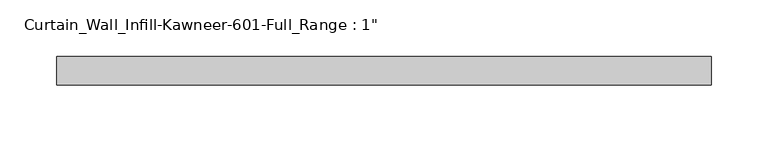
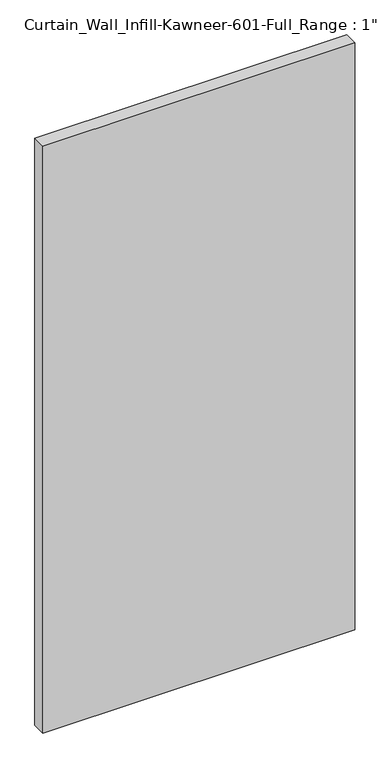
"""IFC4 building model written with IfcOpenShell, lengths in millimetres: plate geometry."""

from ifc_helpers import new_model, si_unit, origin, origin_with_axes, place, context, project, spatial, polyline, outline, extrude, source, transform, mapped, element, save


def plate_7e36a499(model_context):
    return source(origin(), model_context, "Body", "SweptSolid", [
        extrude(outline(polyline([(-288.925, 12.7), (288.925, 12.7), (288.925, -12.7), (-288.925, -12.7), (-288.925, 12.7)])), origin_with_axes(), (0.0, 0.0, 1.0), 1149.35),
    ])


if __name__ == "__main__":
    model = new_model("IFC4")
    model_context = context("Model", 3, world=origin())
    ifc_project = project(units=[si_unit("LENGTHUNIT", "METRE", prefix="MILLI")], contexts=[model_context])
    site = spatial("IfcSite", under=ifc_project)
    building = spatial("IfcBuilding", under=site)
    placement = place(None, origin())
    plate_shape = plate_7e36a499(model_context)
    element("IfcPlate", 1, ObjectType="Curtain_Wall_Infill-Kawneer-601-Full_Range : 1\"", at=placement, inside=building, context=model_context, shape_type="MappedRepresentation", body=[
        mapped(plate_shape, transform((0.0, 0.0, 0.0), x_axis=(1.0, 0.0, 0.0), y_axis=(0.0, 1.0, 0.0), z_axis=(0.0, 0.0, 1.0))),
    ])
    save(model, "model.ifc")
